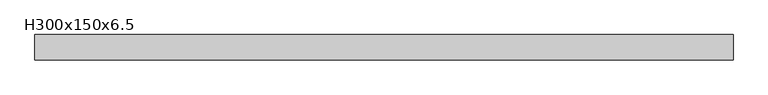
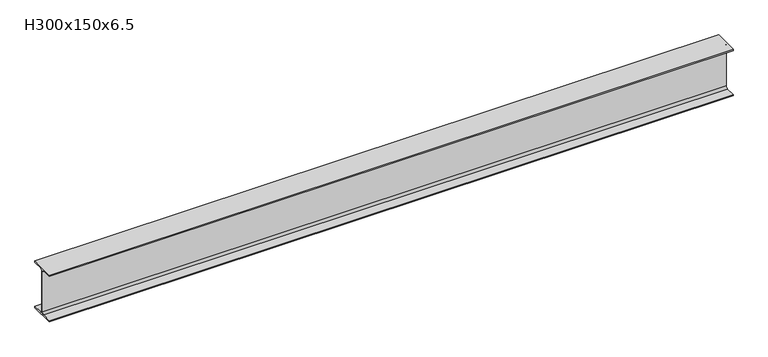
"""IFC4 building model written with IfcOpenShell, lengths in millimetres: beam geometry, H300x150x6.5."""

from ifc_helpers import new_model, si_unit, point, frame, frame_2d, origin, place, context, project, spatial, polyline, circle_curve, trimmed, segment, composite_curve, outline, extrude, source, transform, mapped, element, save


def h300x150x6_5_daaab712(model_context):
    return source(origin(), model_context, "Body", "SweptSolid", [
        extrude(outline(composite_curve([segment(polyline([(75.0, -141.0), (75.0, -150.0), (-75.0, -150.0), (-75.0, -141.0), (-16.25, -141.0)]), True, "CONTINUOUS"), segment(trimmed(circle_curve(frame_2d((-16.25, -128.0)), 13.0), [point((-16.25, -141.0))], [point((-3.25, -128.0))], True, "CARTESIAN"), True, "CONTINUOUS"), segment(polyline([(-3.25, -128.0), (-3.25, 128.0)]), True, "CONTINUOUS"), segment(trimmed(circle_curve(frame_2d((-16.25, 128.0)), 13.0), [point((-3.25, 128.0))], [point((-16.25, 141.0))], True, "CARTESIAN"), True, "CONTINUOUS"), segment(polyline([(-16.25, 141.0), (-75.0, 141.0), (-75.0, 150.0), (75.0, 150.0), (75.0, 141.0), (16.25, 141.0)]), True, "CONTINUOUS"), segment(trimmed(circle_curve(frame_2d((16.25, 128.0)), 13.0), [point((16.25, 141.0))], [point((3.25, 128.0))], True, "CARTESIAN"), True, "CONTINUOUS"), segment(polyline([(3.25, 128.0), (3.25, -128.0)]), True, "CONTINUOUS"), segment(trimmed(circle_curve(frame_2d((16.25, -128.0)), 13.0), [point((3.25, -128.0))], [point((16.25, -141.0))], True, "CARTESIAN"), True, "CONTINUOUS"), segment(polyline([(16.25, -141.0), (75.0, -141.0)]), True, "CONTINUOUS")], self_intersect=False)), frame((-2070.0, 0.0, 0.0), z_axis=(1.0, 0.0, 0.0), x_axis=(0.0, 1.0, 0.0)), (0.0, 0.0, 1.0), 4140.0),
    ])


if __name__ == "__main__":
    model = new_model("IFC4")
    model_context = context("Model", 3, world=origin())
    ifc_project = project(units=[si_unit("LENGTHUNIT", "METRE", prefix="MILLI")], contexts=[model_context])
    site = spatial("IfcSite", under=ifc_project)
    building = spatial("IfcBuilding", under=site)
    placement = place(None, origin())
    h300x150x6_5_shape = h300x150x6_5_daaab712(model_context)
    element("IfcBeam", 1, ObjectType="H300x150x6.5", at=placement, inside=building, context=model_context, shape_type="MappedRepresentation", body=[
        mapped(h300x150x6_5_shape, transform((0.0, 0.0, 0.0), x_axis=(1.0, 0.0, 0.0), y_axis=(0.0, 1.0, 0.0), z_axis=(0.0, 0.0, 1.0))),
    ])
    save(model, "model.ifc")
